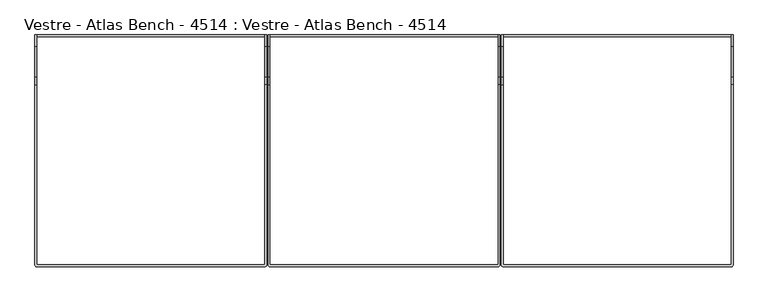
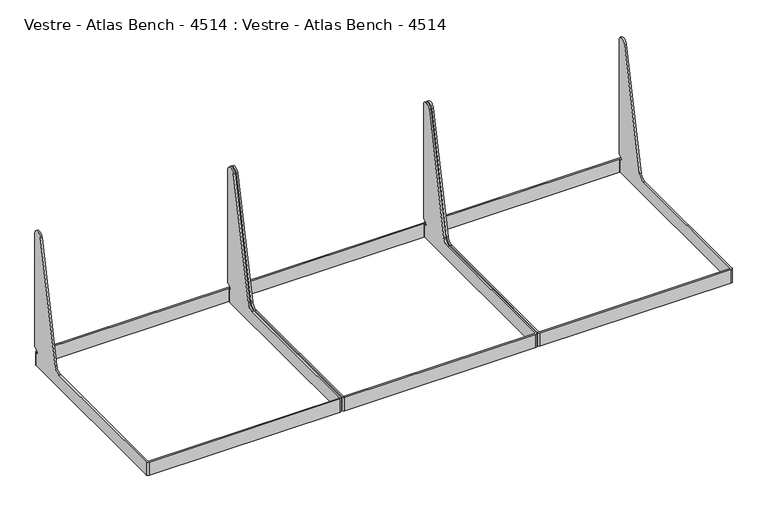
"""IFC4 building model written with IfcOpenShell, lengths in millimetres: furniture geometry, Vestre - Atlas Bench - 4514 : Vestre - Atlas Bench - 4514."""

import ifcopenshell
import ifcopenshell.guid

model = None  # the IFC model being written
_history = None  # IfcOwnerHistory: only IFC2X3 demands one
_inside = {}  # id of a spatial element -> (the spatial element, [elements in it])
_under = {}  # id of a project, library or spatial element -> (it, [spatial elements below it])
_declared = {}  # id of a project -> (the project, [libraries it declares])
_typed = {}  # id of a type object -> (the type object, [elements of that type])
_made_of = {}  # id of a material, layer set ... -> (it, [elements and type objects made of it])


def new_model(schema):
    """Start an empty IFC model of exactly this schema.

    Asked for "IFC4X3", IfcOpenShell would pick the latest addendum, in which some entities
    have other attributes; the version numbers below select the first issue.
    IFC2X3 requires an IfcOwnerHistory on every rooted entity: one is made here for all.
    """
    global model, _history
    if schema == "IFC4X3":
        model = ifcopenshell.file(schema_version=(4, 3, 0, 0))
    else:
        model = ifcopenshell.file(schema=schema)
    _inside.clear()
    _under.clear()
    _declared.clear()
    _typed.clear()
    _made_of.clear()
    _history = None
    if model.schema == "IFC2X3":
        org = make("IfcOrganization", Name="unknown")
        user = make(
            "IfcPersonAndOrganization",
            ThePerson=make("IfcPerson", FamilyName="unknown"),
            TheOrganization=org,
        )
        app = make(
            "IfcApplication",
            ApplicationDeveloper=org,
            Version="unknown",
            ApplicationFullName="unknown",
            ApplicationIdentifier="unknown",
        )
        _history = make(
            "IfcOwnerHistory",
            OwningUser=user,
            OwningApplication=app,
            ChangeAction="ADDED",
            CreationDate=0,
        )
    return model


def make(cls, **values):
    """One entity of the class cls with the attributes given. An attribute that is None is left unset."""
    return model.create_entity(
        cls, **{name: value for name, value in values.items() if value is not None}
    )


def rooted(cls, **values):
    """An entity with a GlobalId (a new one), such as an element, a storey or a relation."""
    return make(cls, GlobalId=ifcopenshell.guid.new(), OwnerHistory=_history, **values)


def si_unit(unit_type, name, prefix=None):
    """IfcSIUnit, for example si_unit("LENGTHUNIT", "METRE", prefix="MILLI")."""
    return make("IfcSIUnit", UnitType=unit_type, Prefix=prefix, Name=name)


def assignment(units):
    """IfcUnitAssignment: the units of a project."""
    return None if units is None else make("IfcUnitAssignment", Units=units)


def point(xyz):
    """IfcCartesianPoint."""
    return None if xyz is None else make("IfcCartesianPoint", Coordinates=xyz)


def direction(xyz):
    """IfcDirection."""
    return None if xyz is None else make("IfcDirection", DirectionRatios=xyz)


def frame(location, z_axis=None, x_axis=None):
    """IfcAxis2Placement3D, a coordinate frame: its origin and axes. An axis left out is left unset."""
    return make(
        "IfcAxis2Placement3D",
        Location=point(location),
        Axis=direction(z_axis),
        RefDirection=direction(x_axis),
    )


def origin():
    """The frame at (0, 0, 0) with its axes left unset."""
    return frame((0.0, 0.0, 0.0))


def place(relative_to, where):
    """IfcLocalPlacement: puts the frame where relative to a parent placement (None: the world)."""
    return make(
        "IfcLocalPlacement", PlacementRelTo=relative_to, RelativePlacement=where
    )


def context(
    kind, dimensions, precision=None, world=None, true_north=None, identifier=None
):
    """IfcGeometricRepresentationContext, for example the 3D "Model" context."""
    return make(
        "IfcGeometricRepresentationContext",
        ContextIdentifier=identifier,
        ContextType=kind,
        CoordinateSpaceDimension=dimensions,
        Precision=precision,
        WorldCoordinateSystem=world,
        TrueNorth=true_north,
    )


def project(units=None, contexts=None):
    """IfcProject with its units and contexts."""
    return rooted(
        "IfcProject",
        Name="project",
        RepresentationContexts=contexts,
        UnitsInContext=assignment(units),
    )


def spatial(cls, under=None, at=None, **own):
    """A site, building, storey or space (cls), placed at a placement, below another one or the project."""
    s = rooted(cls, ObjectPlacement=at, **own)
    if under is not None:
        _under.setdefault(under.id(), (under, []))[1].append(s)
    return s


def polyline(points):
    """IfcPolyline through the points."""
    return make("IfcPolyline", Points=[point(p) for p in points])


def circle_curve(where, radius):
    """IfcCircle in the frame where."""
    return make("IfcCircle", Position=where, Radius=radius)


def shape(context_of_items, identifier, shape_type, items):
    """IfcShapeRepresentation: the items that make up one representation, for example the "Body"."""
    return make(
        "IfcShapeRepresentation",
        ContextOfItems=context_of_items,
        RepresentationIdentifier=identifier,
        RepresentationType=shape_type,
        Items=items,
    )


def source(mapping_origin, context_of_items, identifier, shape_type, items):
    """IfcRepresentationMap: a shape defined once, which mapped items show again and again."""
    return make(
        "IfcRepresentationMap",
        MappingOrigin=mapping_origin,
        MappedRepresentation=shape(context_of_items, identifier, shape_type, items),
    )


def transform(
    local_origin,
    x_axis=None,
    y_axis=None,
    z_axis=None,
    scale=None,
    scale2=None,
    scale3=None,
    uniform=True,
):
    """IfcCartesianTransformationOperator3D, or its non-uniform kind. x_axis, y_axis, z_axis: its Axis1, 2, 3."""
    if uniform:
        return make(
            "IfcCartesianTransformationOperator3D",
            Axis1=direction(x_axis),
            Axis2=direction(y_axis),
            LocalOrigin=point(local_origin),
            Scale=scale,
            Axis3=direction(z_axis),
        )
    return make(
        "IfcCartesianTransformationOperator3DnonUniform",
        Axis1=direction(x_axis),
        Axis2=direction(y_axis),
        LocalOrigin=point(local_origin),
        Scale=scale,
        Axis3=direction(z_axis),
        Scale2=scale2,
        Scale3=scale3,
    )


def mapped(mapping_source, mapping_target):
    """IfcMappedItem: shows the shape of a source again, moved by a transform."""
    return make(
        "IfcMappedItem", MappingSource=mapping_source, MappingTarget=mapping_target
    )


def made_of(thing, what):
    """Note that an element or type object is made of a material, layer set ...; save() writes the relation."""
    if what is not None:
        _made_of.setdefault(what.id(), (what, []))[1].append(thing)
    return thing


def element(
    cls,
    number,
    at=None,
    inside=None,
    cuts=None,
    type_object=None,
    material=None,
    context=None,
    identifier="Body",
    shape_type=None,
    held_by="IfcProductDefinitionShape",
    body=None,
    shapes=None,
    **own,
):
    """One element of the class cls, such as IfcWall. Its Tag is "e" and its number.

    at: its placement. inside: the storey or other place that contains it. cuts: it is an
    opening in that element (IfcRelVoidsElement). A single representation is given by context,
    identifier, shape_type and body (its items); several are given by shapes. held_by: the class
    of the entity that holds the representations. save() writes the other relations.
    """
    e = rooted(cls, Tag="e%d" % number, ObjectPlacement=at, **own)
    if body is not None:
        shapes = [shape(context, identifier, shape_type, body)]
    if shapes is not None:
        e.Representation = make(held_by, Representations=shapes)
    if inside is not None:
        _inside.setdefault(inside.id(), (inside, []))[1].append(e)
    if cuts is not None:
        rooted(
            "IfcRelVoidsElement", RelatingBuildingElement=cuts, RelatedOpeningElement=e
        )
    if type_object is not None:
        _typed.setdefault(type_object.id(), (type_object, []))[1].append(e)
    return made_of(e, material)


def aggregate(whole, parts):
    """IfcRelAggregates: a whole, such as a stair, and the parts it consists of."""
    return rooted("IfcRelAggregates", RelatingObject=whole, RelatedObjects=parts)


def save(model, path):
    """Write the relations noted so far, then the file.

    IfcRelAggregates (storeys below a building ...), IfcRelContainedInSpatialStructure (elements
    in a storey), IfcRelDefinesByType, IfcRelAssociatesMaterial and IfcRelDeclares: one each for
    every whole, place, type object, material and project.
    """
    for whole, parts in _under.values():
        aggregate(whole, parts)
    for where, things in _inside.values():
        rooted(
            "IfcRelContainedInSpatialStructure",
            RelatedElements=things,
            RelatingStructure=where,
        )
    for kind, things in _typed.values():
        rooted("IfcRelDefinesByType", RelatedObjects=things, RelatingType=kind)
    for what, things in _made_of.values():
        rooted("IfcRelAssociatesMaterial", RelatedObjects=things, RelatingMaterial=what)
    for by, libraries in _declared.values():
        rooted("IfcRelDeclares", RelatingContext=by, RelatedDefinitions=libraries)
    model.write(path)


def plane_surface(at):
    """IfcPlane: the flat surface through the origin of the frame at, square to its z axis."""
    return make("IfcPlane", Position=at)


def cylinder_surface(at, radius):
    """IfcCylindricalSurface: all points at the distance radius from the z axis of the frame at."""
    return make("IfcCylindricalSurface", Position=at, Radius=radius)


def revolved_surface(curve, axis_point, axis_direction):
    """IfcSurfaceOfRevolution: the curve turned about the line through axis_point along axis_direction."""
    return make(
        "IfcSurfaceOfRevolution",
        SweptCurve=make("IfcArbitraryOpenProfileDef", ProfileType="CURVE", Curve=curve),
        AxisPosition=make("IfcAxis1Placement", Location=point(axis_point), Axis=direction(axis_direction)),
    )


def advanced_brep(points, edges, surfaces, faces):
    """IfcAdvancedBrep: a solid bounded by faces that lie on surfaces and meet in shared edges.

    An edge is (start, end): straight between two places in points (the first is 0);
    or (start, end, curve); or (start, end, curve, False) where it runs against its curve.
    A face is (place in surfaces, loops), or (place, loops, False) where it looks against
    its surface's normal. A loop lists edges by number (the first is 1), with a minus sign
    where the edge is run from its end to its start. The first loop is the outer one.
    """
    corners = [point(p) for p in points]
    vertices = [make("IfcVertexPoint", VertexGeometry=c) for c in corners]
    made = []
    for start, end, *more in edges:
        made.append(
            make(
                "IfcEdgeCurve",
                EdgeStart=vertices[start],
                EdgeEnd=vertices[end],
                EdgeGeometry=more[0] if more else make("IfcPolyline", Points=[corners[start], corners[end]]),
                SameSense=more[1] if len(more) > 1 else True,
            )
        )
    hull = []
    for where, loops, *sense in faces:
        bounds = []
        for j, loop in enumerate(loops):
            ring = [make("IfcOrientedEdge", EdgeElement=made[abs(k) - 1], Orientation=k > 0) for k in loop]
            bounds.append(
                make(
                    "IfcFaceOuterBound" if j == 0 else "IfcFaceBound",
                    Bound=make("IfcEdgeLoop", EdgeList=ring),
                    Orientation=True,
                )
            )
        hull.append(make("IfcAdvancedFace", Bounds=bounds, FaceSurface=surfaces[where], SameSense=sense[0] if sense else True))
    return make("IfcAdvancedBrep", Outer=make("IfcClosedShell", CfsFaces=hull))


def vestre_atlas_bench_4514_vestre_atlas_bench_4514_7001697b(model_context):
    return source(origin(), model_context, "Body", "AdvancedBrep", [
        advanced_brep(
        [(609.4997154, 300.0000023, 454.2874442), (609.4997154, 300.0000023, 823.6998603), (609.4997154, 270.3277883, 826.8185356), (609.4997154, 191.1979651, 454.541987), (609.4997154, 171.6350131, 438.7002208), (609.4997154, -294.0016577, 438.7002208), (609.4997154, -294.0016577, 395.7002292), (609.4997154, 294.0104801, 395.7002292), (609.4997154, 294.0104801, 438.7002208), (609.4997154, 289.8860908, 438.7002208), (609.4997154, 287.8917461, 446.1432162), (609.4997154, 299.001022, 452.5571596), (604.5000206, 300.0000023, 454.2874442), (604.5000206, 299.001022, 452.5571596), (604.5000206, 287.8917461, 446.1432162), (604.5000206, 289.8860908, 438.7002208), (604.5000206, 294.0000778, 438.7002208), (604.5000206, 294.000075, 395.7002292), (604.5000206, -294.000075, 395.7002292), (604.5000206, -294.000075, 438.7002208), (604.5000206, 171.6350131, 438.7002208), (604.5000206, 191.1979651, 454.541987), (604.5000206, 270.3277883, 826.8185356), (604.5000206, 300.0000023, 823.6998603), (610.4891794, 294.9999441, 438.7002208), (1198.5089782, 294.9999441, 438.7002208), (1199.499749, 294.0091733, 438.7002208), (1199.499749, 289.8860908, 438.7002208), (1204.4994438, 289.8860908, 438.7002208), (1204.4994438, 294.000075, 438.7002208), (1198.4994438, 300.000075, 438.7002208), (610.5000206, 300.000075, 438.7002208), (610.5000206, -300.000075, 438.7002208), (1198.5363087, -300.000075, 438.7002208), (1204.4994438, -294.0369399, 438.7002208), (1204.4994438, 171.6350131, 438.7002208), (1199.499749, 171.6350131, 438.7002208), (1199.499749, -294.035874, 438.7002208), (1198.5355335, -295.0000895, 438.7002208), (610.4981471, -295.0000895, 438.7002208), (1204.4994438, -294.0369399, 395.7002292), (1198.5363087, -300.000075, 395.7002292), (610.5000206, -300.000075, 395.7002292), (610.5000206, 300.000075, 395.7002292), (1198.4994438, 300.000075, 395.7002292), (1204.4994438, 294.000075, 395.7002292), (1199.499749, -294.035874, 395.7002292), (1199.499749, 294.0091733, 395.7002292), (1198.5089782, 294.9999441, 395.7002292), (610.4891794, 294.9999441, 395.7002292), (610.4981471, -295.0000895, 395.7002292), (1198.5355335, -295.0000895, 395.7002292), (1199.499749, 191.1979651, 454.541987), (1199.499749, 270.3277883, 826.8185356), (1199.499749, 300.0000023, 823.6998603), (1199.499749, 300.0000023, 454.2874442), (1199.499749, 299.001022, 452.5571596), (1199.499749, 287.8917461, 446.1432162), (1204.4994438, 287.8917461, 446.1432162), (1204.4994438, 299.001022, 452.5571596), (1204.4994438, 300.0000023, 454.2874442), (1204.4994438, 300.0000023, 823.6998603), (1204.4994438, 270.3277883, 826.8185356), (1204.4994438, 191.1979651, 454.541987)],
        [
            (0, 1),
            (1, 2, circle_curve(frame((609.4997154, 285.0000023, 823.6998603), z_axis=(1.0, 0.0, 0.0), x_axis=(0.0, -1.0, 0.0)), 15.0)),
            (2, 3),
            (3, 4, circle_curve(frame((609.4997154, 171.6350131, 458.7002208), z_axis=(-1.0, 0.0, 0.0), x_axis=(0.0, -1.0, 0.0)), 20.0)),
            (4, 5),
            (5, 6),
            (6, 7),
            (7, 8),
            (8, 9),
            (9, 10, circle_curve(frame((609.4997154, 289.8860908, 442.68891), z_axis=(-1.0, 0.0, 0.0), x_axis=(0.0, -1.0, 0.0)), 3.9886892)),
            (10, 11),
            (11, 0, circle_curve(frame((609.4997154, 298.0020417, 454.2874442), z_axis=(1.0, 0.0, 0.0), x_axis=(0.0, -1.0, 0.0)), 1.9979606)),
            (12, 13, circle_curve(frame((604.5000206, 298.0020417, 454.2874442), z_axis=(-1.0, 0.0, 0.0), x_axis=(0.0, -1.0, 0.0)), 1.9979606)),
            (13, 14),
            (14, 15, circle_curve(frame((604.5000206, 289.8860908, 442.68891), z_axis=(1.0, 0.0, 0.0), x_axis=(0.0, -1.0, 0.0)), 3.9886892)),
            (15, 16),
            (16, 17),
            (17, 18),
            (18, 19),
            (19, 20),
            (20, 21, circle_curve(frame((604.5000206, 171.6350131, 458.7002208), z_axis=(1.0, 0.0, 0.0), x_axis=(0.0, -1.0, 0.0)), 20.0)),
            (21, 22),
            (22, 23, circle_curve(frame((604.5000206, 285.0000023, 823.6998603), z_axis=(-1.0, 0.0, 0.0), x_axis=(0.0, -1.0, 0.0)), 15.0)),
            (23, 12),
            (0, 12),
            (23, 1),
            (22, 2),
            (21, 3),
            (20, 4),
            (8, 24, circle_curve(frame((610.4891794, 294.0104801, 438.7002208), z_axis=(0.0, 0.0, -1.0), x_axis=(-1.0, 0.0, 0.0)), 0.989464)),
            (24, 25),
            (25, 26, circle_curve(frame((1198.5089782, 294.0091733, 438.7002208), z_axis=(0.0, 0.0, -1.0), x_axis=(-1.0, 0.0, 0.0)), 0.9907708)),
            (26, 27),
            (27, 28),
            (28, 29),
            (29, 30, circle_curve(frame((1198.4994438, 294.000075, 438.7002208), z_axis=(0.0, 0.0, 1.0), x_axis=(-1.0, 0.0, 0.0)), 6.0)),
            (30, 31),
            (31, 16, circle_curve(frame((610.5000206, 294.000075, 438.7002208), z_axis=(0.0, 0.0, 1.0), x_axis=(-1.0, 0.0, 0.0)), 6.0)),
            (15, 9),
            (19, 32, circle_curve(frame((610.5000206, -294.000075, 438.7002208), z_axis=(0.0, 0.0, 1.0), x_axis=(-1.0, 0.0, 0.0)), 6.0)),
            (32, 33),
            (33, 34, circle_curve(frame((1198.5363087, -294.0369399, 438.7002208), z_axis=(0.0, 0.0, 1.0), x_axis=(-1.0, 0.0, 0.0)), 5.9631351)),
            (34, 35),
            (35, 36),
            (36, 37),
            (37, 38, circle_curve(frame((1198.5355335, -294.035874, 438.7002208), z_axis=(0.0, 0.0, -1.0), x_axis=(-1.0, 0.0, 0.0)), 0.9642155)),
            (38, 39),
            (39, 5, circle_curve(frame((610.4981471, -294.0016577, 438.7002208), z_axis=(0.0, 0.0, -1.0), x_axis=(-1.0, 0.0, 0.0)), 0.9984317)),
            (14, 10),
            (13, 11),
            (40, 41, circle_curve(frame((1198.5363087, -294.0369399, 395.7002292), z_axis=(0.0, 0.0, -1.0), x_axis=(-1.0, 0.0, 0.0)), 5.9631351)),
            (41, 42),
            (42, 18, circle_curve(frame((610.5000206, -294.000075, 395.7002292), z_axis=(0.0, 0.0, -1.0), x_axis=(-1.0, 0.0, 0.0)), 6.0)),
            (17, 43, circle_curve(frame((610.5000206, 294.000075, 395.7002292), z_axis=(0.0, 0.0, -1.0), x_axis=(-1.0, 0.0, 0.0)), 6.0)),
            (43, 44),
            (44, 45, circle_curve(frame((1198.4994438, 294.000075, 395.7002292), z_axis=(0.0, 0.0, -1.0), x_axis=(-1.0, 0.0, 0.0)), 6.0)),
            (45, 40),
            (46, 47),
            (47, 48, circle_curve(frame((1198.5089782, 294.0091733, 395.7002292), z_axis=(0.0, 0.0, 1.0), x_axis=(-1.0, 0.0, 0.0)), 0.9907708)),
            (48, 49),
            (49, 7, circle_curve(frame((610.4891794, 294.0104801, 395.7002292), z_axis=(0.0, 0.0, 1.0), x_axis=(-1.0, 0.0, 0.0)), 0.989464)),
            (6, 50, circle_curve(frame((610.4981471, -294.0016577, 395.7002292), z_axis=(0.0, 0.0, 1.0), x_axis=(-1.0, 0.0, 0.0)), 0.9984317)),
            (50, 51),
            (51, 46, circle_curve(frame((1198.5355335, -294.035874, 395.7002292), z_axis=(0.0, 0.0, 1.0), x_axis=(-1.0, 0.0, 0.0)), 0.9642155)),
            (46, 37),
            (36, 52, circle_curve(frame((1199.499749, 171.6350131, 458.7002208), z_axis=(1.0, 0.0, 0.0), x_axis=(0.0, -1.0, 0.0)), 20.0)),
            (52, 53),
            (53, 54, circle_curve(frame((1199.499749, 285.0000023, 823.6998603), z_axis=(-1.0, 0.0, 0.0), x_axis=(0.0, -1.0, 0.0)), 15.0)),
            (54, 55),
            (55, 56, circle_curve(frame((1199.499749, 298.0020417, 454.2874442), z_axis=(-1.0, 0.0, 0.0), x_axis=(0.0, -1.0, 0.0)), 1.9979606)),
            (56, 57),
            (57, 27, circle_curve(frame((1199.499749, 289.8860908, 442.68891), z_axis=(1.0, 0.0, 0.0), x_axis=(0.0, -1.0, 0.0)), 3.9886892)),
            (26, 47),
            (25, 48),
            (24, 49),
            (39, 50),
            (38, 51),
            (33, 41),
            (40, 34),
            (32, 42),
            (31, 43),
            (30, 44),
            (29, 45),
            (28, 58, circle_curve(frame((1204.4994438, 289.8860908, 442.68891), z_axis=(-1.0, 0.0, 0.0), x_axis=(0.0, -1.0, 0.0)), 3.9886892)),
            (58, 59),
            (59, 60, circle_curve(frame((1204.4994438, 298.0020417, 454.2874442), z_axis=(1.0, 0.0, 0.0), x_axis=(0.0, -1.0, 0.0)), 1.9979606)),
            (60, 61),
            (61, 62, circle_curve(frame((1204.4994438, 285.0000023, 823.6998603), z_axis=(1.0, 0.0, 0.0), x_axis=(0.0, -1.0, 0.0)), 15.0)),
            (62, 63),
            (63, 35, circle_curve(frame((1204.4994438, 171.6350131, 458.7002208), z_axis=(-1.0, 0.0, 0.0), x_axis=(0.0, -1.0, 0.0)), 20.0)),
            (54, 61),
            (60, 55),
            (53, 62),
            (52, 63),
            (57, 58),
            (56, 59),
        ],
        [
            plane_surface(frame((609.4997154, 300.0000023, 823.700013), z_axis=(1.0, 0.0, 0.0), x_axis=(0.0, 0.0, 1.0))),
            plane_surface(frame((604.5000206, 300.0000023, 823.700013), z_axis=(-1.0, 0.0, 0.0), x_axis=(0.0, 0.0, -1.0))),
            plane_surface(frame((609.4997154, 300.0000023, 454.2874442), z_axis=(0.0, 1.0, 0.0), x_axis=(-1.0, 0.0, 0.0))),
            cylinder_surface(frame((604.5000206, 285.0000023, 823.6998603), z_axis=(1.0, 0.0, 0.0), x_axis=(0.0, -1.0, 0.0)), 15.0),
            plane_surface(frame((609.4997154, 270.3277883, 826.8185356), z_axis=(0.0, -0.9781476007338054, 0.20791169081776104), x_axis=(-1.0, 0.0, 0.0))),
            revolved_surface(polyline([(604.5000206, 151.6350131, 458.7002208), (609.4997154, 151.6350131, 458.7002208)]), (604.5000206, 171.6350131, 458.7002208), (-1.0, 0.0, 0.0)),
            plane_surface(frame((609.4997154, 171.6350131, 438.7002208), z_axis=(0.0, 0.0, 1.0), x_axis=(-1.0, 0.0, 0.0))),
            revolved_surface(polyline([(604.5000206, 285.89740159999997, 442.68891), (609.4997154, 285.89740159999997, 442.68891)]), (604.5000206, 289.8860908, 442.68891), (-1.0, 0.0, 0.0)),
            plane_surface(frame((609.4997154, 287.8917461, 446.1432162), z_axis=(0.0, 0.5000000000000018, -0.8660254037844377), x_axis=(-1.0, 0.0, 0.0))),
            cylinder_surface(frame((604.5000206, 298.0020417, 454.2874442), z_axis=(1.0, 0.0, 0.0), x_axis=(0.0, -1.0, 0.0)), 1.9979606),
            plane_surface(frame((1197.571318, -294.035874, 395.7002292), z_axis=(0.0, 0.0, -1.0), x_axis=(0.0, -1.0, 0.0))),
            plane_surface(frame((1199.499749, 294.0091733, 438.7002208), z_axis=(-1.0, 0.0, 0.0), x_axis=(0.0, 0.0, -1.0))),
            revolved_surface(polyline([(1197.5182074, 294.0091733, 395.7002292), (1197.5182074, 294.0091733, 438.7002208)]), (1198.5089782, 294.0091733, 395.7002292), (0.0, 0.0, -1.0)),
            plane_surface(frame((610.4891794, 294.9999441, 438.7002208), z_axis=(0.0, -1.0, 0.0), x_axis=(0.0, 0.0, -1.0))),
            revolved_surface(polyline([(609.4997154, 294.0104801, 395.7002292), (609.4997154, 294.0104801, 438.7002208)]), (610.4891794, 294.0104801, 395.7002292), (0.0, 0.0, -1.0)),
            revolved_surface(polyline([(609.4997154, -294.0016577, 395.7002292), (609.4997154, -294.0016577, 438.7002208)]), (610.4981471, -294.0016577, 395.7002292), (0.0, 0.0, -1.0)),
            plane_surface(frame((1198.5355335, -295.0000895, 438.7002208), z_axis=(0.0, 1.0, 0.0), x_axis=(0.0, 0.0, -1.0))),
            revolved_surface(polyline([(1197.571318, -294.035874, 395.7002292), (1197.571318, -294.035874, 438.7002208)]), (1198.5355335, -294.035874, 395.7002292), (0.0, 0.0, -1.0)),
            cylinder_surface(frame((1198.5363087, -294.0369399, 395.7002292), z_axis=(0.0, 0.0, 1.0), x_axis=(-1.0, 0.0, 0.0)), 5.9631351),
            plane_surface(frame((610.5000206, -300.000075, 438.7002208), z_axis=(0.0, -1.0, 0.0), x_axis=(0.0, 0.0, -1.0))),
            cylinder_surface(frame((610.5000206, -294.000075, 395.7002292), z_axis=(0.0, 0.0, 1.0), x_axis=(-1.0, 0.0, 0.0)), 6.0),
            cylinder_surface(frame((610.5000206, 294.000075, 395.7002292), z_axis=(0.0, 0.0, 1.0), x_axis=(-1.0, 0.0, 0.0)), 6.0),
            plane_surface(frame((1198.4994438, 300.000075, 438.7002208), z_axis=(0.0, 1.0, 0.0), x_axis=(0.0, 0.0, -1.0))),
            cylinder_surface(frame((1198.4994438, 294.000075, 395.7002292), z_axis=(0.0, 0.0, 1.0), x_axis=(-1.0, 0.0, 0.0)), 6.0),
            plane_surface(frame((1204.4994438, -294.0369399, 438.7002208), z_axis=(1.0, 0.0, 0.0), x_axis=(0.0, 0.0, -1.0))),
            plane_surface(frame((1199.499749, 300.0000023, 823.6998603), z_axis=(0.0, 1.0, 0.0), x_axis=(1.0, 0.0, 0.0))),
            cylinder_surface(frame((1204.4994438, 285.0000023, 823.6998603), z_axis=(-1.0, 0.0, 0.0), x_axis=(0.0, -1.0, 0.0)), 15.0),
            plane_surface(frame((1199.499749, 191.1979651, 454.541987), z_axis=(0.0, -0.9781476007338054, 0.20791169081776104), x_axis=(1.0, 0.0, 0.0))),
            revolved_surface(polyline([(1204.4994438, 151.6350131, 458.7002208), (1199.499749, 151.6350131, 458.7002208)]), (1204.4994438, 171.6350131, 458.7002208), (1.0, 0.0, 0.0)),
            revolved_surface(polyline([(1204.4994438, 285.89740159999997, 442.68891), (1199.499749, 285.89740159999997, 442.68891)]), (1204.4994438, 289.8860908, 442.68891), (1.0, 0.0, 0.0)),
            plane_surface(frame((1199.499749, 299.001022, 452.5571596), z_axis=(0.0, 0.5000000000000018, -0.8660254037844377), x_axis=(1.0, 0.0, 0.0))),
            cylinder_surface(frame((1204.4994438, 298.0020417, 454.2874442), z_axis=(-1.0, 0.0, 0.0), x_axis=(0.0, -1.0, 0.0)), 1.9979606),
        ],
        [
            (0, [[1, 2, 3, 4, 5, 6, 7, 8, 9, 10, 11, 12]]),
            (1, [[13, 14, 15, 16, 17, 18, 19, 20, 21, 22, 23, 24]]),
            (2, [[-1, 25, -24, 26]]),
            (3, [[-2, -26, -23, 27]]),
            (4, [[-3, -27, -22, 28]]),
            (5, [[-4, -28, -21, 29]]),
            (6, [[-9, 30, 31, 32, 33, 34, 35, 36, 37, 38, -16, 39]]),
            (6, [[-29, -20, 40, 41, 42, 43, 44, 45, 46, 47, 48, -5]]),
            (7, [[-10, -39, -15, 49]]),
            (8, [[-11, -49, -14, 50]]),
            (9, [[-12, -50, -13, -25]]),
            (10, [[51, 52, 53, -18, 54, 55, 56, 57], [58, 59, 60, 61, -7, 62, 63, 64]]),
            (11, [[-58, 65, -45, 66, 67, 68, 69, 70, 71, 72, -33, 73]]),
            (12, [[-73, -32, 74, -59]]),
            (13, [[-31, 75, -60, -74]]),
            (14, [[-30, -8, -61, -75]]),
            (15, [[-48, 76, -62, -6]]),
            (16, [[-47, 77, -63, -76]]),
            (17, [[-46, -65, -64, -77]]),
            (18, [[-42, 78, -51, 79]]),
            (19, [[-41, 80, -52, -78]]),
            (20, [[-40, -19, -53, -80]]),
            (21, [[-38, 81, -54, -17]]),
            (22, [[-37, 82, -55, -81]]),
            (23, [[-36, 83, -56, -82]]),
            (24, [[-57, -83, -35, 84, 85, 86, 87, 88, 89, 90, -43, -79]]),
            (25, [[-69, 91, -87, 92]]),
            (26, [[-68, 93, -88, -91]]),
            (27, [[-67, 94, -89, -93]]),
            (28, [[-66, -44, -90, -94]]),
            (29, [[-72, 95, -84, -34]]),
            (30, [[-71, 96, -85, -95]]),
            (31, [[-70, -92, -86, -96]]),
        ],
    ),
        advanced_brep(
        [(6.4993126, 300.0000023, 454.2874442), (6.4993126, 300.0000023, 823.6998603), (6.4993126, 270.3277883, 826.8185356), (6.4993126, 191.1979651, 454.541987), (6.4993126, 171.6350131, 438.7002208), (6.4993126, -294.0016577, 438.7002208), (6.4993126, -294.0016577, 395.7002292), (6.4993126, 294.0104801, 395.7002292), (6.4993126, 294.0104801, 438.7002208), (6.4993126, 289.8860908, 438.7002208), (6.4993126, 287.8917461, 446.1432162), (6.4993126, 299.001022, 452.5571596), (1.4996178, 300.0000023, 454.2874442), (1.4996178, 299.001022, 452.5571596), (1.4996178, 287.8917461, 446.1432162), (1.4996178, 289.8860908, 438.7002208), (1.4996178, 294.0000778, 438.7002208), (1.4996178, 294.000075, 395.7002292), (1.4996178, -294.000075, 395.7002292), (1.4996178, -294.000075, 438.7002208), (1.4996178, 171.6350131, 438.7002208), (1.4996178, 191.1979651, 454.541987), (1.4996178, 270.3277883, 826.8185356), (1.4996178, 300.0000023, 823.6998603), (7.4887766, 294.9999441, 438.7002208), (595.5085754, 294.9999441, 438.7002208), (596.4993462, 294.0091733, 438.7002208), (596.4993462, 289.8860908, 438.7002208), (601.499041, 289.8860908, 438.7002208), (601.499041, 294.000075, 438.7002208), (595.499041, 300.000075, 438.7002208), (7.4996178, 300.000075, 438.7002208), (7.4996178, -300.000075, 438.7002208), (595.5359059, -300.000075, 438.7002208), (601.499041, -294.0369399, 438.7002208), (601.499041, 171.6350131, 438.7002208), (596.4993462, 171.6350131, 438.7002208), (596.4993462, -294.035874, 438.7002208), (595.5351307, -295.0000895, 438.7002208), (7.4977443, -295.0000895, 438.7002208), (601.499041, -294.0369399, 395.7002292), (595.5359059, -300.000075, 395.7002292), (7.4996178, -300.000075, 395.7002292), (7.4996178, 300.000075, 395.7002292), (595.499041, 300.000075, 395.7002292), (601.499041, 294.000075, 395.7002292), (596.4993462, -294.035874, 395.7002292), (596.4993462, 294.0091733, 395.7002292), (595.5085754, 294.9999441, 395.7002292), (7.4887766, 294.9999441, 395.7002292), (7.4977443, -295.0000895, 395.7002292), (595.5351307, -295.0000895, 395.7002292), (596.4993462, 191.1979651, 454.541987), (596.4993462, 270.3277883, 826.8185356), (596.4993462, 300.0000023, 823.6998603), (596.4993462, 300.0000023, 454.2874442), (596.4993462, 299.001022, 452.5571596), (596.4993462, 287.8917461, 446.1432162), (601.499041, 287.8917461, 446.1432162), (601.499041, 299.001022, 452.5571596), (601.499041, 300.0000023, 454.2874442), (601.499041, 300.0000023, 823.6998603), (601.499041, 270.3277883, 826.8185356), (601.499041, 191.1979651, 454.541987)],
        [
            (0, 1),
            (1, 2, circle_curve(frame((6.4993126, 285.0000023, 823.6998603), z_axis=(1.0, 0.0, 0.0), x_axis=(0.0, -1.0, 0.0)), 15.0)),
            (2, 3),
            (3, 4, circle_curve(frame((6.4993126, 171.6350131, 458.7002208), z_axis=(-1.0, 0.0, 0.0), x_axis=(0.0, -1.0, 0.0)), 20.0)),
            (4, 5),
            (5, 6),
            (6, 7),
            (7, 8),
            (8, 9),
            (9, 10, circle_curve(frame((6.4993126, 289.8860908, 442.68891), z_axis=(-1.0, 0.0, 0.0), x_axis=(0.0, -1.0, 0.0)), 3.9886892)),
            (10, 11),
            (11, 0, circle_curve(frame((6.4993126, 298.0020417, 454.2874442), z_axis=(1.0, 0.0, 0.0), x_axis=(0.0, -1.0, 0.0)), 1.9979606)),
            (12, 13, circle_curve(frame((1.4996178, 298.0020417, 454.2874442), z_axis=(-1.0, 0.0, 0.0), x_axis=(0.0, -1.0, 0.0)), 1.9979606)),
            (13, 14),
            (14, 15, circle_curve(frame((1.4996178, 289.8860908, 442.68891), z_axis=(1.0, 0.0, 0.0), x_axis=(0.0, -1.0, 0.0)), 3.9886892)),
            (15, 16),
            (16, 17),
            (17, 18),
            (18, 19),
            (19, 20),
            (20, 21, circle_curve(frame((1.4996178, 171.6350131, 458.7002208), z_axis=(1.0, 0.0, 0.0), x_axis=(0.0, -1.0, 0.0)), 20.0)),
            (21, 22),
            (22, 23, circle_curve(frame((1.4996178, 285.0000023, 823.6998603), z_axis=(-1.0, 0.0, 0.0), x_axis=(0.0, -1.0, 0.0)), 15.0)),
            (23, 12),
            (0, 12),
            (23, 1),
            (22, 2),
            (21, 3),
            (20, 4),
            (8, 24, circle_curve(frame((7.4887766, 294.0104801, 438.7002208), z_axis=(0.0, 0.0, -1.0), x_axis=(-1.0, 0.0, 0.0)), 0.989464)),
            (24, 25),
            (25, 26, circle_curve(frame((595.5085754, 294.0091733, 438.7002208), z_axis=(0.0, 0.0, -1.0), x_axis=(-1.0, 0.0, 0.0)), 0.9907708)),
            (26, 27),
            (27, 28),
            (28, 29),
            (29, 30, circle_curve(frame((595.499041, 294.000075, 438.7002208), z_axis=(0.0, 0.0, 1.0), x_axis=(-1.0, 0.0, 0.0)), 6.0)),
            (30, 31),
            (31, 16, circle_curve(frame((7.4996178, 294.000075, 438.7002208), z_axis=(0.0, 0.0, 1.0), x_axis=(-1.0, 0.0, 0.0)), 6.0)),
            (15, 9),
            (19, 32, circle_curve(frame((7.4996178, -294.000075, 438.7002208), z_axis=(0.0, 0.0, 1.0), x_axis=(-1.0, 0.0, 0.0)), 6.0)),
            (32, 33),
            (33, 34, circle_curve(frame((595.5359059, -294.0369399, 438.7002208), z_axis=(0.0, 0.0, 1.0), x_axis=(-1.0, 0.0, 0.0)), 5.9631351)),
            (34, 35),
            (35, 36),
            (36, 37),
            (37, 38, circle_curve(frame((595.5351307, -294.035874, 438.7002208), z_axis=(0.0, 0.0, -1.0), x_axis=(-1.0, 0.0, 0.0)), 0.9642155)),
            (38, 39),
            (39, 5, circle_curve(frame((7.4977443, -294.0016577, 438.7002208), z_axis=(0.0, 0.0, -1.0), x_axis=(-1.0, 0.0, 0.0)), 0.9984317)),
            (14, 10),
            (13, 11),
            (40, 41, circle_curve(frame((595.5359059, -294.0369399, 395.7002292), z_axis=(0.0, 0.0, -1.0), x_axis=(-1.0, 0.0, 0.0)), 5.9631351)),
            (41, 42),
            (42, 18, circle_curve(frame((7.4996178, -294.000075, 395.7002292), z_axis=(0.0, 0.0, -1.0), x_axis=(-1.0, 0.0, 0.0)), 6.0)),
            (17, 43, circle_curve(frame((7.4996178, 294.000075, 395.7002292), z_axis=(0.0, 0.0, -1.0), x_axis=(-1.0, 0.0, 0.0)), 6.0)),
            (43, 44),
            (44, 45, circle_curve(frame((595.499041, 294.000075, 395.7002292), z_axis=(0.0, 0.0, -1.0), x_axis=(-1.0, 0.0, 0.0)), 6.0)),
            (45, 40),
            (46, 47),
            (47, 48, circle_curve(frame((595.5085754, 294.0091733, 395.7002292), z_axis=(0.0, 0.0, 1.0), x_axis=(-1.0, 0.0, 0.0)), 0.9907708)),
            (48, 49),
            (49, 7, circle_curve(frame((7.4887766, 294.0104801, 395.7002292), z_axis=(0.0, 0.0, 1.0), x_axis=(-1.0, 0.0, 0.0)), 0.989464)),
            (6, 50, circle_curve(frame((7.4977443, -294.0016577, 395.7002292), z_axis=(0.0, 0.0, 1.0), x_axis=(-1.0, 0.0, 0.0)), 0.9984317)),
            (50, 51),
            (51, 46, circle_curve(frame((595.5351307, -294.035874, 395.7002292), z_axis=(0.0, 0.0, 1.0), x_axis=(-1.0, 0.0, 0.0)), 0.9642155)),
            (46, 37),
            (36, 52, circle_curve(frame((596.4993462, 171.6350131, 458.7002208), z_axis=(1.0, 0.0, 0.0), x_axis=(0.0, -1.0, 0.0)), 20.0)),
            (52, 53),
            (53, 54, circle_curve(frame((596.4993462, 285.0000023, 823.6998603), z_axis=(-1.0, 0.0, 0.0), x_axis=(0.0, -1.0, 0.0)), 15.0)),
            (54, 55),
            (55, 56, circle_curve(frame((596.4993462, 298.0020417, 454.2874442), z_axis=(-1.0, 0.0, 0.0), x_axis=(0.0, -1.0, 0.0)), 1.9979606)),
            (56, 57),
            (57, 27, circle_curve(frame((596.4993462, 289.8860908, 442.68891), z_axis=(1.0, 0.0, 0.0), x_axis=(0.0, -1.0, 0.0)), 3.9886892)),
            (26, 47),
            (25, 48),
            (24, 49),
            (39, 50),
            (38, 51),
            (33, 41),
            (40, 34),
            (32, 42),
            (31, 43),
            (30, 44),
            (29, 45),
            (28, 58, circle_curve(frame((601.499041, 289.8860908, 442.68891), z_axis=(-1.0, 0.0, 0.0), x_axis=(0.0, -1.0, 0.0)), 3.9886892)),
            (58, 59),
            (59, 60, circle_curve(frame((601.499041, 298.0020417, 454.2874442), z_axis=(1.0, 0.0, 0.0), x_axis=(0.0, -1.0, 0.0)), 1.9979606)),
            (60, 61),
            (61, 62, circle_curve(frame((601.499041, 285.0000023, 823.6998603), z_axis=(1.0, 0.0, 0.0), x_axis=(0.0, -1.0, 0.0)), 15.0)),
            (62, 63),
            (63, 35, circle_curve(frame((601.499041, 171.6350131, 458.7002208), z_axis=(-1.0, 0.0, 0.0), x_axis=(0.0, -1.0, 0.0)), 20.0)),
            (54, 61),
            (60, 55),
            (53, 62),
            (52, 63),
            (57, 58),
            (56, 59),
        ],
        [
            plane_surface(frame((6.4993126, 300.0000023, 823.700013), z_axis=(1.0, 0.0, 0.0), x_axis=(0.0, 0.0, 1.0))),
            plane_surface(frame((1.4996178, 300.0000023, 823.700013), z_axis=(-1.0, 0.0, 0.0), x_axis=(0.0, 0.0, -1.0))),
            plane_surface(frame((6.4993126, 300.0000023, 454.2874442), z_axis=(0.0, 1.0, 0.0), x_axis=(-1.0, 0.0, 0.0))),
            cylinder_surface(frame((1.4996178, 285.0000023, 823.6998603), z_axis=(1.0, 0.0, 0.0), x_axis=(0.0, -1.0, 0.0)), 15.0),
            plane_surface(frame((6.4993126, 270.3277883, 826.8185356), z_axis=(0.0, -0.9781476007338054, 0.20791169081776104), x_axis=(-1.0, 0.0, 0.0))),
            revolved_surface(polyline([(1.4996178, 151.6350131, 458.7002208), (6.4993126, 151.6350131, 458.7002208)]), (1.4996178, 171.6350131, 458.7002208), (-1.0, 0.0, 0.0)),
            plane_surface(frame((6.4993126, 171.6350131, 438.7002208), z_axis=(0.0, 0.0, 1.0), x_axis=(-1.0, 0.0, 0.0))),
            revolved_surface(polyline([(1.4996178, 285.89740159999997, 442.68891), (6.4993126, 285.89740159999997, 442.68891)]), (1.4996178, 289.8860908, 442.68891), (-1.0, 0.0, 0.0)),
            plane_surface(frame((6.4993126, 287.8917461, 446.1432162), z_axis=(0.0, 0.5000000000000018, -0.8660254037844377), x_axis=(-1.0, 0.0, 0.0))),
            cylinder_surface(frame((1.4996178, 298.0020417, 454.2874442), z_axis=(1.0, 0.0, 0.0), x_axis=(0.0, -1.0, 0.0)), 1.9979606),
            plane_surface(frame((594.5709152, -294.035874, 395.7002292), z_axis=(0.0, 0.0, -1.0), x_axis=(0.0, -1.0, 0.0))),
            plane_surface(frame((596.4993462, 294.0091733, 438.7002208), z_axis=(-1.0, 0.0, 0.0), x_axis=(0.0, 0.0, -1.0))),
            revolved_surface(polyline([(594.5178046000001, 294.0091733, 395.7002292), (594.5178046000001, 294.0091733, 438.7002208)]), (595.5085754, 294.0091733, 395.7002292), (0.0, 0.0, -1.0)),
            plane_surface(frame((7.4887766, 294.9999441, 438.7002208), z_axis=(0.0, -1.0, 0.0), x_axis=(0.0, 0.0, -1.0))),
            revolved_surface(polyline([(6.4993126, 294.0104801, 395.7002292), (6.4993126, 294.0104801, 438.7002208)]), (7.4887766, 294.0104801, 395.7002292), (0.0, 0.0, -1.0)),
            revolved_surface(polyline([(6.4993126, -294.0016577, 395.7002292), (6.4993126, -294.0016577, 438.7002208)]), (7.4977443, -294.0016577, 395.7002292), (0.0, 0.0, -1.0)),
            plane_surface(frame((595.5351307, -295.0000895, 438.7002208), z_axis=(0.0, 1.0, 0.0), x_axis=(0.0, 0.0, -1.0))),
            revolved_surface(polyline([(594.5709152, -294.035874, 395.7002292), (594.5709152, -294.035874, 438.7002208)]), (595.5351307, -294.035874, 395.7002292), (0.0, 0.0, -1.0)),
            cylinder_surface(frame((595.5359059, -294.0369399, 395.7002292), z_axis=(0.0, 0.0, 1.0), x_axis=(-1.0, 0.0, 0.0)), 5.9631351),
            plane_surface(frame((7.4996178, -300.000075, 438.7002208), z_axis=(0.0, -1.0, 0.0), x_axis=(0.0, 0.0, -1.0))),
            cylinder_surface(frame((7.4996178, -294.000075, 395.7002292), z_axis=(0.0, 0.0, 1.0), x_axis=(-1.0, 0.0, 0.0)), 6.0),
            cylinder_surface(frame((7.4996178, 294.000075, 395.7002292), z_axis=(0.0, 0.0, 1.0), x_axis=(-1.0, 0.0, 0.0)), 6.0),
            plane_surface(frame((595.499041, 300.000075, 438.7002208), z_axis=(0.0, 1.0, 0.0), x_axis=(0.0, 0.0, -1.0))),
            cylinder_surface(frame((595.499041, 294.000075, 395.7002292), z_axis=(0.0, 0.0, 1.0), x_axis=(-1.0, 0.0, 0.0)), 6.0),
            plane_surface(frame((601.499041, -294.0369399, 438.7002208), z_axis=(1.0, 0.0, 0.0), x_axis=(0.0, 0.0, -1.0))),
            plane_surface(frame((596.4993462, 300.0000023, 823.6998603), z_axis=(0.0, 1.0, 0.0), x_axis=(1.0, 0.0, 0.0))),
            cylinder_surface(frame((601.499041, 285.0000023, 823.6998603), z_axis=(-1.0, 0.0, 0.0), x_axis=(0.0, -1.0, 0.0)), 15.0),
            plane_surface(frame((596.4993462, 191.1979651, 454.541987), z_axis=(0.0, -0.9781476007338054, 0.20791169081776104), x_axis=(1.0, 0.0, 0.0))),
            revolved_surface(polyline([(601.499041, 151.6350131, 458.7002208), (596.4993462, 151.6350131, 458.7002208)]), (601.499041, 171.6350131, 458.7002208), (1.0, 0.0, 0.0)),
            revolved_surface(polyline([(601.499041, 285.89740159999997, 442.68891), (596.4993462, 285.89740159999997, 442.68891)]), (601.499041, 289.8860908, 442.68891), (1.0, 0.0, 0.0)),
            plane_surface(frame((596.4993462, 299.001022, 452.5571596), z_axis=(0.0, 0.5000000000000018, -0.8660254037844377), x_axis=(1.0, 0.0, 0.0))),
            cylinder_surface(frame((601.499041, 298.0020417, 454.2874442), z_axis=(-1.0, 0.0, 0.0), x_axis=(0.0, -1.0, 0.0)), 1.9979606),
        ],
        [
            (0, [[1, 2, 3, 4, 5, 6, 7, 8, 9, 10, 11, 12]]),
            (1, [[13, 14, 15, 16, 17, 18, 19, 20, 21, 22, 23, 24]]),
            (2, [[-1, 25, -24, 26]]),
            (3, [[-2, -26, -23, 27]]),
            (4, [[-3, -27, -22, 28]]),
            (5, [[-4, -28, -21, 29]]),
            (6, [[-9, 30, 31, 32, 33, 34, 35, 36, 37, 38, -16, 39]]),
            (6, [[-29, -20, 40, 41, 42, 43, 44, 45, 46, 47, 48, -5]]),
            (7, [[-10, -39, -15, 49]]),
            (8, [[-11, -49, -14, 50]]),
            (9, [[-12, -50, -13, -25]]),
            (10, [[51, 52, 53, -18, 54, 55, 56, 57], [58, 59, 60, 61, -7, 62, 63, 64]]),
            (11, [[-58, 65, -45, 66, 67, 68, 69, 70, 71, 72, -33, 73]]),
            (12, [[-73, -32, 74, -59]]),
            (13, [[-31, 75, -60, -74]]),
            (14, [[-30, -8, -61, -75]]),
            (15, [[-48, 76, -62, -6]]),
            (16, [[-47, 77, -63, -76]]),
            (17, [[-46, -65, -64, -77]]),
            (18, [[-42, 78, -51, 79]]),
            (19, [[-41, 80, -52, -78]]),
            (20, [[-40, -19, -53, -80]]),
            (21, [[-38, 81, -54, -17]]),
            (22, [[-37, 82, -55, -81]]),
            (23, [[-36, 83, -56, -82]]),
            (24, [[-57, -83, -35, 84, 85, 86, 87, 88, 89, 90, -43, -79]]),
            (25, [[-69, 91, -87, 92]]),
            (26, [[-68, 93, -88, -91]]),
            (27, [[-67, 94, -89, -93]]),
            (28, [[-66, -44, -90, -94]]),
            (29, [[-72, 95, -84, -34]]),
            (30, [[-71, 96, -85, -95]]),
            (31, [[-70, -92, -86, -96]]),
        ],
    ),
        advanced_brep(
        [(-596.4993462, 300.0000023, 454.2874442), (-596.4993462, 300.0000023, 823.6998603), (-596.4993462, 270.3277883, 826.8185356), (-596.4993462, 191.1979651, 454.541987), (-596.4993462, 171.6350131, 438.7002208), (-596.4993462, -294.035874, 438.7002208), (-596.4993462, -294.035874, 395.7002292), (-596.4993462, 294.0091733, 395.7002292), (-596.4993462, 294.0091733, 438.7002208), (-596.4993462, 289.8860908, 438.7002208), (-596.4993462, 287.8917461, 446.1432162), (-596.4993462, 299.001022, 452.5571596), (-601.499041, 300.0000023, 454.2874442), (-601.499041, 299.001022, 452.5571596), (-601.499041, 287.8917461, 446.1432162), (-601.499041, 289.8860908, 438.7002208), (-601.499041, 294.0000778, 438.7002208), (-601.499041, 294.000075, 395.7002292), (-601.499041, -294.0369399, 395.7002292), (-601.499041, -294.0369399, 438.7002208), (-601.499041, 171.6350131, 438.7002208), (-601.499041, 191.1979651, 454.541987), (-601.499041, 270.3277883, 826.8185356), (-601.499041, 300.0000023, 823.6998603), (-595.5085754, 294.9999441, 438.7002208), (-7.4887766, 294.9999441, 438.7002208), (-6.4993126, 294.0104801, 438.7002208), (-6.4993126, 289.8860908, 438.7002208), (-1.4996178, 289.8860908, 438.7002208), (-1.4996178, 294.000075, 438.7002208), (-7.4996178, 300.000075, 438.7002208), (-595.499041, 300.000075, 438.7002208), (-595.5359059, -300.000075, 438.7002208), (-7.4996178, -300.000075, 438.7002208), (-1.4996178, -294.000075, 438.7002208), (-1.4996178, 171.6350131, 438.7002208), (-6.4993126, 171.6350131, 438.7002208), (-6.4993126, -294.0016577, 438.7002208), (-7.4977443, -295.0000895, 438.7002208), (-595.5351307, -295.0000895, 438.7002208), (-595.499041, 300.000075, 395.7002292), (-7.4996178, 300.000075, 395.7002292), (-1.4996178, 294.000075, 395.7002292), (-1.4996178, -294.000075, 395.7002292), (-7.4996178, -300.000075, 395.7002292), (-595.5359059, -300.000075, 395.7002292), (-595.5351307, -295.0000895, 395.7002292), (-7.4977443, -295.0000895, 395.7002292), (-6.4993126, -294.0016577, 395.7002292), (-6.4993126, 294.0104801, 395.7002292), (-7.4887766, 294.9999441, 395.7002292), (-595.5085754, 294.9999441, 395.7002292), (-6.4993126, 191.1979651, 454.541987), (-6.4993126, 270.3277883, 826.8185356), (-6.4993126, 300.0000023, 823.6998603), (-6.4993126, 300.0000023, 454.2874442), (-6.4993126, 299.001022, 452.5571596), (-6.4993126, 287.8917461, 446.1432162), (-1.4996178, 287.8917461, 446.1432162), (-1.4996178, 299.001022, 452.5571596), (-1.4996178, 300.0000023, 454.2874442), (-1.4996178, 300.0000023, 823.6998603), (-1.4996178, 270.3277883, 826.8185356), (-1.4996178, 191.1979651, 454.541987)],
        [
            (0, 1),
            (1, 2, circle_curve(frame((-596.4993462, 285.0000023, 823.6998603), z_axis=(1.0, 0.0, 0.0), x_axis=(0.0, -1.0, 0.0)), 15.0)),
            (2, 3),
            (3, 4, circle_curve(frame((-596.4993462, 171.6350131, 458.7002208), z_axis=(-1.0, 0.0, 0.0), x_axis=(0.0, -1.0, 0.0)), 20.0)),
            (4, 5),
            (5, 6),
            (6, 7),
            (7, 8),
            (8, 9),
            (9, 10, circle_curve(frame((-596.4993462, 289.8860908, 442.68891), z_axis=(-1.0, 0.0, 0.0), x_axis=(0.0, -1.0, 0.0)), 3.9886892)),
            (10, 11),
            (11, 0, circle_curve(frame((-596.4993462, 298.0020417, 454.2874442), z_axis=(1.0, 0.0, 0.0), x_axis=(0.0, -1.0, 0.0)), 1.9979606)),
            (12, 13, circle_curve(frame((-601.499041, 298.0020417, 454.2874442), z_axis=(-1.0, 0.0, 0.0), x_axis=(0.0, -1.0, 0.0)), 1.9979606)),
            (13, 14),
            (14, 15, circle_curve(frame((-601.499041, 289.8860908, 442.68891), z_axis=(1.0, 0.0, 0.0), x_axis=(0.0, -1.0, 0.0)), 3.9886892)),
            (15, 16),
            (16, 17),
            (17, 18),
            (18, 19),
            (19, 20),
            (20, 21, circle_curve(frame((-601.499041, 171.6350131, 458.7002208), z_axis=(1.0, 0.0, 0.0), x_axis=(0.0, -1.0, 0.0)), 20.0)),
            (21, 22),
            (22, 23, circle_curve(frame((-601.499041, 285.0000023, 823.6998603), z_axis=(-1.0, 0.0, 0.0), x_axis=(0.0, -1.0, 0.0)), 15.0)),
            (23, 12),
            (0, 12),
            (23, 1),
            (22, 2),
            (21, 3),
            (20, 4),
            (8, 24, circle_curve(frame((-595.5085754, 294.0091733, 438.7002208), z_axis=(0.0, 0.0, -1.0), x_axis=(1.0, 0.0, 0.0)), 0.9907708)),
            (24, 25),
            (25, 26, circle_curve(frame((-7.4887766, 294.0104801, 438.7002208), z_axis=(0.0, 0.0, -1.0), x_axis=(1.0, 0.0, 0.0)), 0.989464)),
            (26, 27),
            (27, 28),
            (28, 29),
            (29, 30, circle_curve(frame((-7.4996178, 294.000075, 438.7002208), z_axis=(0.0, 0.0, 1.0), x_axis=(1.0, 0.0, 0.0)), 6.0)),
            (30, 31),
            (31, 16, circle_curve(frame((-595.499041, 294.000075, 438.7002208), z_axis=(0.0, 0.0, 1.0), x_axis=(1.0, 0.0, 0.0)), 6.0)),
            (15, 9),
            (19, 32, circle_curve(frame((-595.5359059, -294.0369399, 438.7002208), z_axis=(0.0, 0.0, 1.0), x_axis=(1.0, 0.0, 0.0)), 5.9631351)),
            (32, 33),
            (33, 34, circle_curve(frame((-7.4996178, -294.000075, 438.7002208), z_axis=(0.0, 0.0, 1.0), x_axis=(1.0, 0.0, 0.0)), 6.0)),
            (34, 35),
            (35, 36),
            (36, 37),
            (37, 38, circle_curve(frame((-7.4977443, -294.0016577, 438.7002208), z_axis=(0.0, 0.0, -1.0), x_axis=(1.0, 0.0, 0.0)), 0.9984317)),
            (38, 39),
            (39, 5, circle_curve(frame((-595.5351307, -294.035874, 438.7002208), z_axis=(0.0, 0.0, -1.0), x_axis=(1.0, 0.0, 0.0)), 0.9642155)),
            (14, 10),
            (13, 11),
            (17, 40, circle_curve(frame((-595.499041, 294.000075, 395.7002292), z_axis=(0.0, 0.0, -1.0), x_axis=(1.0, 0.0, 0.0)), 6.0)),
            (40, 41),
            (41, 42, circle_curve(frame((-7.4996178, 294.000075, 395.7002292), z_axis=(0.0, 0.0, -1.0), x_axis=(1.0, 0.0, 0.0)), 6.0)),
            (42, 43),
            (43, 44, circle_curve(frame((-7.4996178, -294.000075, 395.7002292), z_axis=(0.0, 0.0, -1.0), x_axis=(1.0, 0.0, 0.0)), 6.0)),
            (44, 45),
            (45, 18, circle_curve(frame((-595.5359059, -294.0369399, 395.7002292), z_axis=(0.0, 0.0, -1.0), x_axis=(1.0, 0.0, 0.0)), 5.9631351)),
            (6, 46, circle_curve(frame((-595.5351307, -294.035874, 395.7002292), z_axis=(0.0, 0.0, 1.0), x_axis=(1.0, 0.0, 0.0)), 0.9642155)),
            (46, 47),
            (47, 48, circle_curve(frame((-7.4977443, -294.0016577, 395.7002292), z_axis=(0.0, 0.0, 1.0), x_axis=(1.0, 0.0, 0.0)), 0.9984317)),
            (48, 49),
            (49, 50, circle_curve(frame((-7.4887766, 294.0104801, 395.7002292), z_axis=(0.0, 0.0, 1.0), x_axis=(1.0, 0.0, 0.0)), 0.989464)),
            (50, 51),
            (51, 7, circle_curve(frame((-595.5085754, 294.0091733, 395.7002292), z_axis=(0.0, 0.0, 1.0), x_axis=(1.0, 0.0, 0.0)), 0.9907708)),
            (51, 24),
            (50, 25),
            (49, 26),
            (48, 37),
            (36, 52, circle_curve(frame((-6.4993126, 171.6350131, 458.7002208), z_axis=(1.0, 0.0, 0.0), x_axis=(0.0, -1.0, 0.0)), 20.0)),
            (52, 53),
            (53, 54, circle_curve(frame((-6.4993126, 285.0000023, 823.6998603), z_axis=(-1.0, 0.0, 0.0), x_axis=(0.0, -1.0, 0.0)), 15.0)),
            (54, 55),
            (55, 56, circle_curve(frame((-6.4993126, 298.0020417, 454.2874442), z_axis=(-1.0, 0.0, 0.0), x_axis=(0.0, -1.0, 0.0)), 1.9979606)),
            (56, 57),
            (57, 27, circle_curve(frame((-6.4993126, 289.8860908, 442.68891), z_axis=(1.0, 0.0, 0.0), x_axis=(0.0, -1.0, 0.0)), 3.9886892)),
            (47, 38),
            (46, 39),
            (45, 32),
            (44, 33),
            (43, 34),
            (42, 29),
            (28, 58, circle_curve(frame((-1.4996178, 289.8860908, 442.68891), z_axis=(-1.0, 0.0, 0.0), x_axis=(0.0, -1.0, 0.0)), 3.9886892)),
            (58, 59),
            (59, 60, circle_curve(frame((-1.4996178, 298.0020417, 454.2874442), z_axis=(1.0, 0.0, 0.0), x_axis=(0.0, -1.0, 0.0)), 1.9979606)),
            (60, 61),
            (61, 62, circle_curve(frame((-1.4996178, 285.0000023, 823.6998603), z_axis=(1.0, 0.0, 0.0), x_axis=(0.0, -1.0, 0.0)), 15.0)),
            (62, 63),
            (63, 35, circle_curve(frame((-1.4996178, 171.6350131, 458.7002208), z_axis=(-1.0, 0.0, 0.0), x_axis=(0.0, -1.0, 0.0)), 20.0)),
            (41, 30),
            (40, 31),
            (54, 61),
            (60, 55),
            (53, 62),
            (52, 63),
            (57, 58),
            (56, 59),
        ],
        [
            plane_surface(frame((-596.4993462, 300.0000023, 823.700013), z_axis=(1.0, 0.0, 0.0), x_axis=(0.0, 0.0, 1.0))),
            plane_surface(frame((-601.499041, 300.0000023, 823.700013), z_axis=(-1.0, 0.0, 0.0), x_axis=(0.0, 0.0, -1.0))),
            plane_surface(frame((-596.4993462, 300.0000023, 454.2874442), z_axis=(0.0, 1.0, 0.0), x_axis=(-1.0, 0.0, 0.0))),
            cylinder_surface(frame((-601.499041, 285.0000023, 823.6998603), z_axis=(1.0, 0.0, 0.0), x_axis=(0.0, -1.0, 0.0)), 15.0),
            plane_surface(frame((-596.4993462, 270.3277883, 826.8185356), z_axis=(0.0, -0.9781476007338054, 0.20791169081776104), x_axis=(-1.0, 0.0, 0.0))),
            revolved_surface(polyline([(-601.499041, 151.6350131, 458.7002208), (-596.4993462, 151.6350131, 458.7002208)]), (-601.499041, 171.6350131, 458.7002208), (-1.0, 0.0, 0.0)),
            plane_surface(frame((-596.4993462, 171.6350131, 438.7002208), z_axis=(0.0, 0.0, 1.0), x_axis=(-1.0, 0.0, 0.0))),
            revolved_surface(polyline([(-601.499041, 285.89740159999997, 442.68891), (-596.4993462, 285.89740159999997, 442.68891)]), (-601.499041, 289.8860908, 442.68891), (-1.0, 0.0, 0.0)),
            plane_surface(frame((-596.4993462, 287.8917461, 446.1432162), z_axis=(0.0, 0.5000000000000018, -0.8660254037844377), x_axis=(-1.0, 0.0, 0.0))),
            cylinder_surface(frame((-601.499041, 298.0020417, 454.2874442), z_axis=(1.0, 0.0, 0.0), x_axis=(0.0, -1.0, 0.0)), 1.9979606),
            plane_surface(frame((-596.4993462, 294.0000051, 395.7002292), z_axis=(0.0, 0.0, -1.0), x_axis=(0.0, -1.0, 0.0))),
            revolved_surface(polyline([(-594.5178046000001, 294.0091733, 395.7002292), (-594.5178046000001, 294.0091733, 438.7002208)]), (-595.5085754, 294.0091733, 395.7002292), (0.0, 0.0, -1.0)),
            plane_surface(frame((-595.5085754, 294.9999441, 438.7002208), z_axis=(0.0, -1.0, 0.0), x_axis=(0.0, 0.0, -1.0))),
            revolved_surface(polyline([(-6.4993126, 294.0104801, 395.7002292), (-6.4993126, 294.0104801, 438.7002208)]), (-7.4887766, 294.0104801, 395.7002292), (0.0, 0.0, -1.0)),
            plane_surface(frame((-6.4993126, 294.0104801, 438.7002208), z_axis=(-1.0, 0.0, 0.0), x_axis=(0.0, 0.0, -1.0))),
            revolved_surface(polyline([(-6.4993126, -294.0016577, 395.7002292), (-6.4993126, -294.0016577, 438.7002208)]), (-7.4977443, -294.0016577, 395.7002292), (0.0, 0.0, -1.0)),
            plane_surface(frame((-7.4977443, -295.0000895, 438.7002208), z_axis=(0.0, 1.0, 0.0), x_axis=(0.0, 0.0, -1.0))),
            revolved_surface(polyline([(-594.5709152, -294.035874, 395.7002292), (-594.5709152, -294.035874, 438.7002208)]), (-595.5351307, -294.035874, 395.7002292), (0.0, 0.0, -1.0)),
            cylinder_surface(frame((-595.5359059, -294.0369399, 395.7002292), z_axis=(0.0, 0.0, 1.0), x_axis=(1.0, 0.0, 0.0)), 5.9631351),
            plane_surface(frame((-595.5359059, -300.000075, 438.7002208), z_axis=(0.0, -1.0, 0.0), x_axis=(0.0, 0.0, -1.0))),
            cylinder_surface(frame((-7.4996178, -294.000075, 395.7002292), z_axis=(0.0, 0.0, 1.0), x_axis=(1.0, 0.0, 0.0)), 6.0),
            plane_surface(frame((-1.4996178, -294.000075, 438.7002208), z_axis=(1.0, 0.0, 0.0), x_axis=(0.0, 0.0, -1.0))),
            cylinder_surface(frame((-7.4996178, 294.000075, 395.7002292), z_axis=(0.0, 0.0, 1.0), x_axis=(1.0, 0.0, 0.0)), 6.0),
            plane_surface(frame((-7.4996178, 300.000075, 438.7002208), z_axis=(0.0, 1.0, 0.0), x_axis=(0.0, 0.0, -1.0))),
            cylinder_surface(frame((-595.499041, 294.000075, 395.7002292), z_axis=(0.0, 0.0, 1.0), x_axis=(1.0, 0.0, 0.0)), 6.0),
            plane_surface(frame((-6.4993126, 300.0000023, 823.6998603), z_axis=(0.0, 1.0, 0.0), x_axis=(1.0, 0.0, 0.0))),
            cylinder_surface(frame((-1.4996178, 285.0000023, 823.6998603), z_axis=(-1.0, 0.0, 0.0), x_axis=(0.0, -1.0, 0.0)), 15.0),
            plane_surface(frame((-6.4993126, 191.1979651, 454.541987), z_axis=(0.0, -0.9781476007338054, 0.20791169081776104), x_axis=(1.0, 0.0, 0.0))),
            revolved_surface(polyline([(-1.4996178, 151.6350131, 458.7002208), (-6.4993126, 151.6350131, 458.7002208)]), (-1.4996178, 171.6350131, 458.7002208), (1.0, 0.0, 0.0)),
            revolved_surface(polyline([(-1.4996178, 285.89740159999997, 442.68891), (-6.4993126, 285.89740159999997, 442.68891)]), (-1.4996178, 289.8860908, 442.68891), (1.0, 0.0, 0.0)),
            plane_surface(frame((-6.4993126, 299.001022, 452.5571596), z_axis=(0.0, 0.5000000000000018, -0.8660254037844377), x_axis=(1.0, 0.0, 0.0))),
            cylinder_surface(frame((-1.4996178, 298.0020417, 454.2874442), z_axis=(-1.0, 0.0, 0.0), x_axis=(0.0, -1.0, 0.0)), 1.9979606),
        ],
        [
            (0, [[1, 2, 3, 4, 5, 6, 7, 8, 9, 10, 11, 12]]),
            (1, [[13, 14, 15, 16, 17, 18, 19, 20, 21, 22, 23, 24]]),
            (2, [[-1, 25, -24, 26]]),
            (3, [[-2, -26, -23, 27]]),
            (4, [[-3, -27, -22, 28]]),
            (5, [[-4, -28, -21, 29]]),
            (6, [[-9, 30, 31, 32, 33, 34, 35, 36, 37, 38, -16, 39]]),
            (6, [[-29, -20, 40, 41, 42, 43, 44, 45, 46, 47, 48, -5]]),
            (7, [[-10, -39, -15, 49]]),
            (8, [[-11, -49, -14, 50]]),
            (9, [[-12, -50, -13, -25]]),
            (10, [[-18, 51, 52, 53, 54, 55, 56, 57], [58, 59, 60, 61, 62, 63, 64, -7]]),
            (11, [[-30, -8, -64, 65]]),
            (12, [[-31, -65, -63, 66]]),
            (13, [[67, -32, -66, -62]]),
            (14, [[-61, 68, -45, 69, 70, 71, 72, 73, 74, 75, -33, -67]]),
            (15, [[-46, -68, -60, 76]]),
            (16, [[-47, -76, -59, 77]]),
            (17, [[-48, -77, -58, -6]]),
            (18, [[-40, -19, -57, 78]]),
            (19, [[-41, -78, -56, 79]]),
            (20, [[-42, -79, -55, 80]]),
            (21, [[-54, 81, -35, 82, 83, 84, 85, 86, 87, 88, -43, -80]]),
            (22, [[-36, -81, -53, 89]]),
            (23, [[-37, -89, -52, 90]]),
            (24, [[-38, -90, -51, -17]]),
            (25, [[-72, 91, -85, 92]]),
            (26, [[-71, 93, -86, -91]]),
            (27, [[-70, 94, -87, -93]]),
            (28, [[-69, -44, -88, -94]]),
            (29, [[-75, 95, -82, -34]]),
            (30, [[-74, 96, -83, -95]]),
            (31, [[-73, -92, -84, -96]]),
        ],
    ),
    ])


if __name__ == "__main__":
    model = new_model("IFC4")
    model_context = context("Model", 3, world=origin())
    ifc_project = project(units=[si_unit("LENGTHUNIT", "METRE", prefix="MILLI")], contexts=[model_context])
    site = spatial("IfcSite", under=ifc_project)
    building = spatial("IfcBuilding", under=site)
    placement = place(None, origin())
    vestre_atlas_bench_4514_vestre_atlas_bench_4514_shape = vestre_atlas_bench_4514_vestre_atlas_bench_4514_7001697b(model_context)
    element("IfcFurniture", 1, ObjectType="Vestre - Atlas Bench - 4514 : Vestre - Atlas Bench - 4514", at=placement, inside=building, context=model_context, shape_type="MappedRepresentation", body=[
        mapped(vestre_atlas_bench_4514_vestre_atlas_bench_4514_shape, transform((0.0, 0.0, 0.0), x_axis=(1.0, 0.0, 0.0), y_axis=(0.0, 1.0, 0.0), z_axis=(0.0, 0.0, 1.0))),
    ])
    save(model, "model.ifc")
